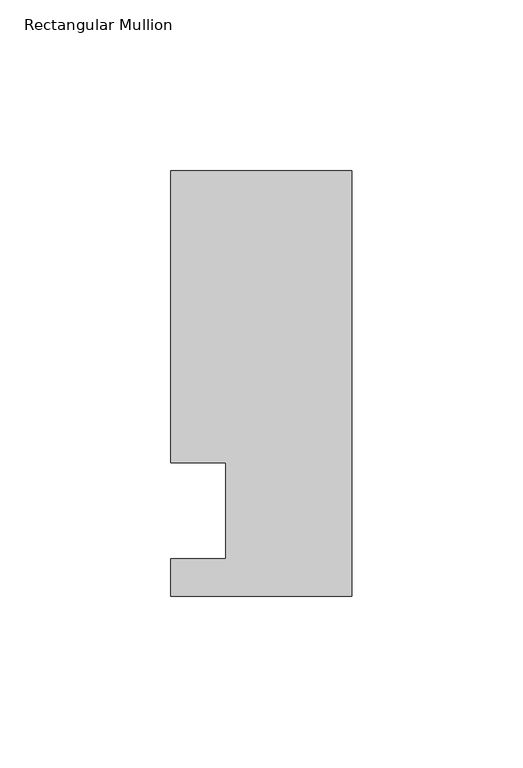
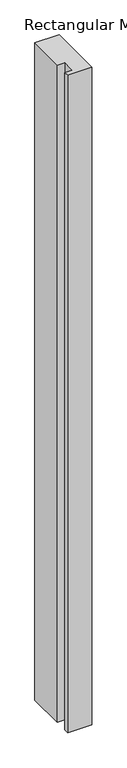
"""IFC4 building model written with IfcOpenShell, lengths in millimetres: member geometry, Rectangular Mullion."""

from ifc_helpers import new_model, si_unit, frame, origin, place, context, project, spatial, polyline, outline, extrude, source, transform, mapped, element, save


def rectangular_mullion_93b4b9ba(model_context):
    return source(origin(), model_context, "Body", "SweptSolid", [
        extrude(outline(polyline([(-37.0, -13.9999453), (-37.0, 14.0000547), (-53.0, 14.0000547), (-53.0, 99.5000547), (0.0, 99.5000547), (0.0, -24.9999453), (-53.0, -24.9999453), (-53.0, -13.9999453), (-37.0, -13.9999453)])), frame((0.0, 0.0, -1524.000019), z_axis=(0.0, 0.0, 1.0), x_axis=(1.0, 0.0, 0.0)), (0.0, 0.0, 1.0), 1524.000019),
    ])


if __name__ == "__main__":
    model = new_model("IFC4")
    model_context = context("Model", 3, world=origin())
    ifc_project = project(units=[si_unit("LENGTHUNIT", "METRE", prefix="MILLI")], contexts=[model_context])
    site = spatial("IfcSite", under=ifc_project)
    building = spatial("IfcBuilding", under=site)
    placement = place(None, origin())
    rectangular_mullion_shape = rectangular_mullion_93b4b9ba(model_context)
    element("IfcMember", 1, ObjectType="Rectangular Mullion", at=placement, inside=building, context=model_context, shape_type="MappedRepresentation", body=[
        mapped(rectangular_mullion_shape, transform((0.0, 0.0, 0.0), x_axis=(1.0, 0.0, 0.0), y_axis=(0.0, 1.0, 0.0), z_axis=(0.0, 0.0, 1.0))),
    ])
    save(model, "model.ifc")
